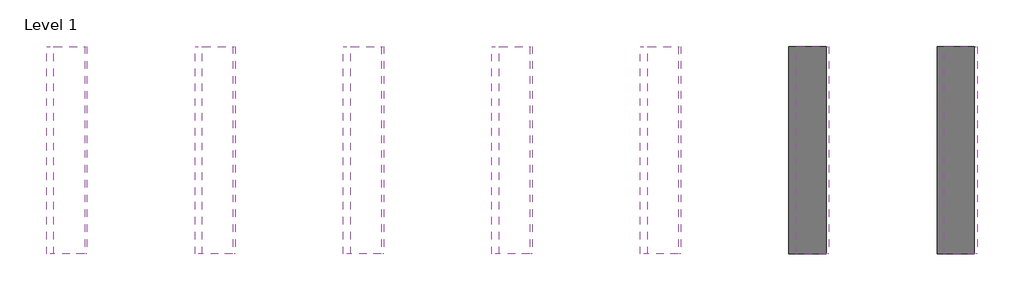
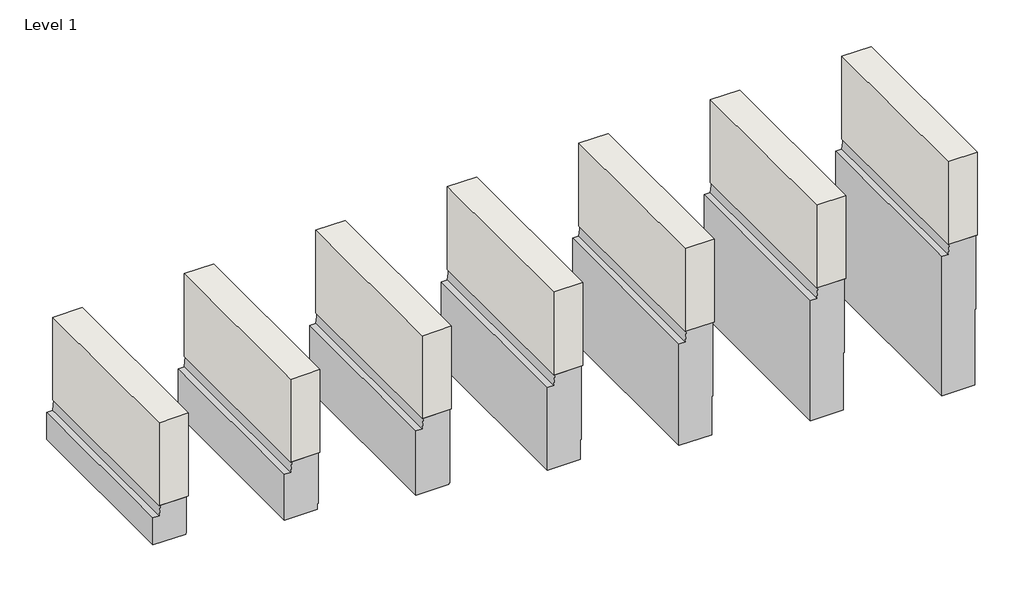
# One storey: 7 proxies, 7 walls.
"""IFC4 building model written with IfcOpenShell, lengths in millimetres."""

from ifc_helpers import new_model, si_unit, frame, origin, place, context, project, spatial, polyline, outline, extrude, faceted_brep, element, save

model = new_model("IFC4")

# Units and contexts
model_context = context("Model", 3, world=origin())
ifc_project = project(units=[si_unit("LENGTHUNIT", "METRE", prefix="MILLI")], contexts=[model_context])

# Site, building, storey
site = spatial("IfcSite", under=ifc_project)
building = spatial("IfcBuilding", under=site)
storey = spatial("IfcBuildingStorey", under=building, Name="Level 1", Elevation=376.7173768)

# Proxies
placement = place(None, origin())
element("IfcBuildingElementProxy", 1, Name="Wall Sweeps", at=placement, inside=storey, context=model_context, shape_type="SweptSolid", body=[
    extrude(outline(polyline([(2550.1334636, -3632.6639548), (2468.4642659, -3642.301164), (2468.4642659, -3689.0603294), (2250.1334636, -3689.0603294), (2250.1334636, -3439.2978502), (2260.1334636, -3439.2978502), (2260.1334636, -3433.2978502), (2550.1334636, -3433.2978502), (2550.1334636, -3632.6639548)])), frame((0.0, -203.3081883, 0.0), z_axis=(0.0, 1.0, 0.0), x_axis=(0.0, 0.0, 1.0)), (0.0, 0.0, 1.0), 1400.0),
])
element("IfcBuildingElementProxy", 2, Name="Wall Sweeps", at=placement, inside=storey, context=model_context, shape_type="SweptSolid", body=[
    extrude(outline(polyline([(2550.1334636, -2632.6639548), (2468.4642659, -2642.301164), (2468.4642659, -2689.0603294), (2100.1334636, -2689.0603294), (2100.1334636, -2439.2978502), (2147.1334636, -2439.2978502), (2147.1334636, -2433.2978502), (2550.1334636, -2433.2978502), (2550.1334636, -2632.6639548)])), frame((0.0, -203.3081883, 0.0), z_axis=(0.0, 1.0, 0.0), x_axis=(0.0, 0.0, 1.0)), (0.0, 0.0, 1.0), 1400.0),
])
element("IfcBuildingElementProxy", 3, Name="Wall Sweeps", at=placement, inside=storey, context=model_context, shape_type="SweptSolid", body=[
    extrude(outline(polyline([(2550.1334636, -1632.6639548), (2468.4642659, -1642.301164), (2468.4642659, -1689.0603294), (1950.1334636, -1689.0603294), (1950.1334636, -1439.2978502), (1960.1334636, -1439.2978502), (1960.1334636, -1433.2978502), (2550.1334636, -1433.2978502), (2550.1334636, -1632.6639548)])), frame((0.0, -203.3081883, 0.0), z_axis=(0.0, 1.0, 0.0), x_axis=(0.0, 0.0, 1.0)), (0.0, 0.0, 1.0), 1400.0),
])
element("IfcBuildingElementProxy", 4, Name="Wall Sweeps", at=placement, inside=storey, context=model_context, shape_type="SweptSolid", body=[
    extrude(outline(polyline([(2550.1334636, -632.6639548), (2468.4642659, -642.301164), (2468.4642659, -689.0603294), (1800.1334636, -689.0603294), (1800.1334636, -439.2978502), (1960.1334636, -439.2978502), (1960.1334636, -433.2978502), (2550.1334636, -433.2978502), (2550.1334636, -632.6639548)])), frame((0.0, -203.3081883, 0.0), z_axis=(0.0, 1.0, 0.0), x_axis=(0.0, 0.0, 1.0)), (0.0, 0.0, 1.0), 1400.0),
])
element("IfcBuildingElementProxy", 5, Name="Wall Sweeps", at=placement, inside=storey, context=model_context, shape_type="SweptSolid", body=[
    extrude(outline(polyline([(2550.1334636, 367.3360452), (2468.4642659, 357.698836), (2468.4642659, 310.9396706), (1650.1334636, 310.9396706), (1650.1334636, 560.7021498), (1960.1334636, 560.7021498), (1960.1334636, 566.7021498), (2550.1334636, 566.7021498), (2550.1334636, 367.3360452)])), frame((0.0, -203.3081883, 0.0), z_axis=(0.0, 1.0, 0.0), x_axis=(0.0, 0.0, 1.0)), (0.0, 0.0, 1.0), 1400.0),
])
element("IfcBuildingElementProxy", 6, Name="Wall Sweeps", at=placement, inside=storey, context=model_context, shape_type="SweptSolid", body=[
    extrude(outline(polyline([(2550.1334636, 1367.3360452), (2468.4642659, 1357.698836), (2468.4642659, 1310.9396706), (1500.1334636, 1310.9396706), (1500.1334636, 1560.7021498), (1960.1334636, 1560.7021498), (1960.1334636, 1566.7021498), (2550.1334636, 1566.7021498), (2550.1334636, 1367.3360452)])), frame((0.0, -203.3081883, 0.0), z_axis=(0.0, 1.0, 0.0), x_axis=(0.0, 0.0, 1.0)), (0.0, 0.0, 1.0), 1400.0),
])
element("IfcBuildingElementProxy", 7, Name="Wall Sweeps", at=placement, inside=storey, context=model_context, shape_type="SweptSolid", body=[
    extrude(outline(polyline([(2550.1334636, 2367.3360452), (2468.4642659, 2357.698836), (2468.4642659, 2310.9396706), (1350.1334636, 2310.9396706), (1350.1334636, 2560.7021498), (1960.1334636, 2560.7021498), (1960.1334636, 2566.7021498), (2550.1334636, 2566.7021498), (2550.1334636, 2367.3360452)])), frame((0.0, -203.3081883, 0.0), z_axis=(0.0, 1.0, 0.0), x_axis=(0.0, 0.0, 1.0)), (0.0, 0.0, 1.0), 1400.0),
])

# Walls
element("IfcWall", 8, at=placement, inside=storey, context=model_context, shape_type="Brep", body=[
    faceted_brep([(-3419.2978502, -203.3081883, 2550.1334636), (-3419.2978502, 1196.6918117, 2550.1334636), (-3419.2978502, 1196.6918117, 3216.7173768), (-3419.2978502, -203.3081883, 3216.7173768), (-3641.2978502, -203.3081883, 2550.1334636), (-3641.2978502, -203.3081883, 3216.7173768), (-3641.2978502, 1196.6918117, 3216.7173768), (-3641.2978502, 1196.6918117, 2550.1334636), (-3433.2978502, -203.3081883, 2550.1334636), (-3632.6639548, -203.3081883, 2550.1334636), (-3632.6639548, 1196.6918117, 2550.1334636), (-3433.2978502, 1196.6918117, 2550.1334636)], [[[0, 1, 2, 3]], [[4, 5, 6, 7]], [[1, 0, 8, 9, 4, 7, 10, 11]], [[2, 1, 11, 10, 7, 6]], [[3, 2, 6, 5]], [[0, 3, 5, 4, 9, 8]]]),
])
element("IfcWall", 9, at=placement, inside=storey, context=model_context, shape_type="Brep", body=[
    faceted_brep([(-2419.2978502, -203.3081883, 2550.1334636), (-2419.2978502, 1196.6918117, 2550.1334636), (-2419.2978502, 1196.6918117, 3216.7173768), (-2419.2978502, -203.3081883, 3216.7173768), (-2641.2978502, -203.3081883, 2550.1334636), (-2641.2978502, -203.3081883, 3216.7173768), (-2641.2978502, 1196.6918117, 3216.7173768), (-2641.2978502, 1196.6918117, 2550.1334636), (-2433.2978502, -203.3081883, 2550.1334636), (-2632.6639548, -203.3081883, 2550.1334636), (-2632.6639548, 1196.6918117, 2550.1334636), (-2433.2978502, 1196.6918117, 2550.1334636)], [[[0, 1, 2, 3]], [[4, 5, 6, 7]], [[1, 0, 8, 9, 4, 7, 10, 11]], [[2, 1, 11, 10, 7, 6]], [[3, 2, 6, 5]], [[0, 3, 5, 4, 9, 8]]]),
])
element("IfcWall", 10, at=placement, inside=storey, context=model_context, shape_type="Brep", body=[
    faceted_brep([(-1419.2978502, -203.3081883, 2550.1334636), (-1419.2978502, 1196.6918117, 2550.1334636), (-1419.2978502, 1196.6918117, 3216.7173768), (-1419.2978502, -203.3081883, 3216.7173768), (-1641.2978502, -203.3081883, 2550.1334636), (-1641.2978502, -203.3081883, 3216.7173768), (-1641.2978502, 1196.6918117, 3216.7173768), (-1641.2978502, 1196.6918117, 2550.1334636), (-1433.2978502, -203.3081883, 2550.1334636), (-1632.6639548, -203.3081883, 2550.1334636), (-1632.6639548, 1196.6918117, 2550.1334636), (-1433.2978502, 1196.6918117, 2550.1334636)], [[[0, 1, 2, 3]], [[4, 5, 6, 7]], [[1, 0, 8, 9, 4, 7, 10, 11]], [[2, 1, 11, 10, 7, 6]], [[3, 2, 6, 5]], [[0, 3, 5, 4, 9, 8]]]),
])
element("IfcWall", 11, at=placement, inside=storey, context=model_context, shape_type="Brep", body=[
    faceted_brep([(-419.2978502, -203.3081883, 2550.1334636), (-419.2978502, 1196.6918117, 2550.1334636), (-419.2978502, 1196.6918117, 3216.7173768), (-419.2978502, -203.3081883, 3216.7173768), (-641.2978502, -203.3081883, 2550.1334636), (-641.2978502, -203.3081883, 3216.7173768), (-641.2978502, 1196.6918117, 3216.7173768), (-641.2978502, 1196.6918117, 2550.1334636), (-433.2978502, -203.3081883, 2550.1334636), (-632.6639548, -203.3081883, 2550.1334636), (-632.6639548, 1196.6918117, 2550.1334636), (-433.2978502, 1196.6918117, 2550.1334636)], [[[0, 1, 2, 3]], [[4, 5, 6, 7]], [[1, 0, 8, 9, 4, 7, 10, 11]], [[2, 1, 11, 10, 7, 6]], [[3, 2, 6, 5]], [[0, 3, 5, 4, 9, 8]]]),
])
element("IfcWall", 12, at=placement, inside=storey, context=model_context, shape_type="Brep", body=[
    faceted_brep([(580.7021498, -203.3081883, 2550.1334636), (580.7021498, 1196.6918117, 2550.1334636), (580.7021498, 1196.6918117, 3216.7173768), (580.7021498, -203.3081883, 3216.7173768), (358.7021498, -203.3081883, 2550.1334636), (358.7021498, -203.3081883, 3216.7173768), (358.7021498, 1196.6918117, 3216.7173768), (358.7021498, 1196.6918117, 2550.1334636), (566.7021498, -203.3081883, 2550.1334636), (367.3360452, -203.3081883, 2550.1334636), (367.3360452, 1196.6918117, 2550.1334636), (566.7021498, 1196.6918117, 2550.1334636)], [[[0, 1, 2, 3]], [[4, 5, 6, 7]], [[1, 0, 8, 9, 4, 7, 10, 11]], [[2, 1, 11, 10, 7, 6]], [[3, 2, 6, 5]], [[0, 3, 5, 4, 9, 8]]]),
])
element("IfcWall", 13, at=placement, inside=storey, context=model_context, shape_type="Brep", body=[
    faceted_brep([(1580.7021498, -203.3081883, 2550.1334636), (1580.7021498, 1196.6918117, 2550.1334636), (1580.7021498, 1196.6918117, 3216.7173768), (1580.7021498, -203.3081883, 3216.7173768), (1358.7021498, -203.3081883, 2550.1334636), (1358.7021498, -203.3081883, 3216.7173768), (1358.7021498, 1196.6918117, 3216.7173768), (1358.7021498, 1196.6918117, 2550.1334636), (1566.7021498, -203.3081883, 2550.1334636), (1367.3360452, -203.3081883, 2550.1334636), (1367.3360452, 1196.6918117, 2550.1334636), (1566.7021498, 1196.6918117, 2550.1334636)], [[[0, 1, 2, 3]], [[4, 5, 6, 7]], [[1, 0, 8, 9, 4, 7, 10, 11]], [[2, 1, 11, 10, 7, 6]], [[3, 2, 6, 5]], [[0, 3, 5, 4, 9, 8]]]),
])
element("IfcWall", 14, at=placement, inside=storey, context=model_context, shape_type="Brep", body=[
    faceted_brep([(2580.7021498, -203.3081883, 2550.1334636), (2580.7021498, 1196.6918117, 2550.1334636), (2580.7021498, 1196.6918117, 3216.7173768), (2580.7021498, -203.3081883, 3216.7173768), (2358.7021498, -203.3081883, 2550.1334636), (2358.7021498, -203.3081883, 3216.7173768), (2358.7021498, 1196.6918117, 3216.7173768), (2358.7021498, 1196.6918117, 2550.1334636), (2566.7021498, -203.3081883, 2550.1334636), (2367.3360452, -203.3081883, 2550.1334636), (2367.3360452, 1196.6918117, 2550.1334636), (2566.7021498, 1196.6918117, 2550.1334636)], [[[0, 1, 2, 3]], [[4, 5, 6, 7]], [[1, 0, 8, 9, 4, 7, 10, 11]], [[2, 1, 11, 10, 7, 6]], [[3, 2, 6, 5]], [[0, 3, 5, 4, 9, 8]]]),
])

save(model, "model.ifc")
